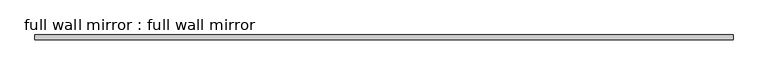
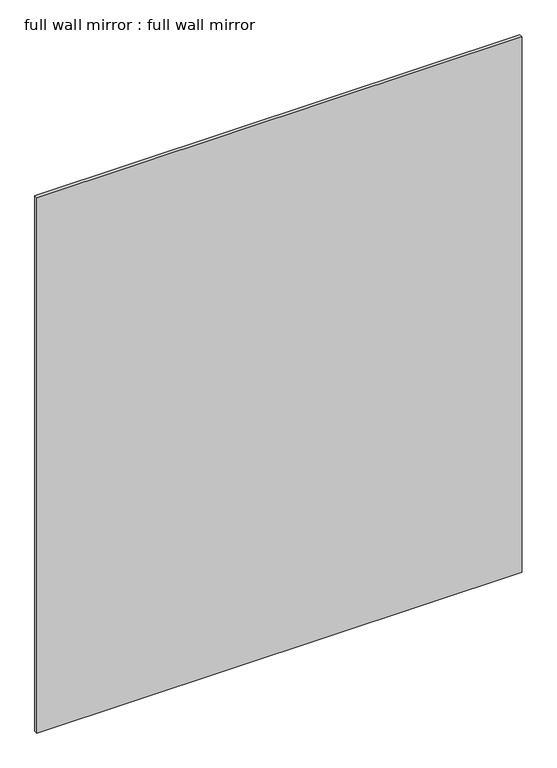
"""IFC4 building model written with IfcOpenShell, lengths in millimetres: proxy geometry, full wall mirror : full wall mirror."""

from ifc_helpers import new_model, si_unit, frame, origin, place, context, project, spatial, polyline, outline, extrude, source, transform, mapped, element, save


def full_wall_mirror_full_wall_mirror_ad969957(model_context):
    return source(origin(), model_context, "Body", "SweptSolid", [
        extrude(outline(polyline([(914.4, -152.4), (914.4, -165.1), (-914.4, -165.1), (-914.4, -152.4), (914.4, -152.4)])), frame((0.0, 0.0, 152.4), z_axis=(0.0, 0.0, 1.0), x_axis=(1.0, 0.0, 0.0)), (0.0, 0.0, 1.0), 2133.6),
    ])


if __name__ == "__main__":
    model = new_model("IFC4")
    model_context = context("Model", 3, world=origin())
    ifc_project = project(units=[si_unit("LENGTHUNIT", "METRE", prefix="MILLI")], contexts=[model_context])
    site = spatial("IfcSite", under=ifc_project)
    building = spatial("IfcBuilding", under=site)
    placement = place(None, origin())
    full_wall_mirror_full_wall_mirror_shape = full_wall_mirror_full_wall_mirror_ad969957(model_context)
    element("IfcBuildingElementProxy", 1, Name="full wall mirror : full wall mirror", ObjectType="full wall mirror : full wall mirror", at=placement, inside=building, context=model_context, shape_type="MappedRepresentation", body=[
        mapped(full_wall_mirror_full_wall_mirror_shape, transform((0.0, 0.0, 0.0), x_axis=(1.0, 0.0, 0.0), y_axis=(0.0, 1.0, 0.0), z_axis=(0.0, 0.0, 1.0))),
    ])
    save(model, "model.ifc")
